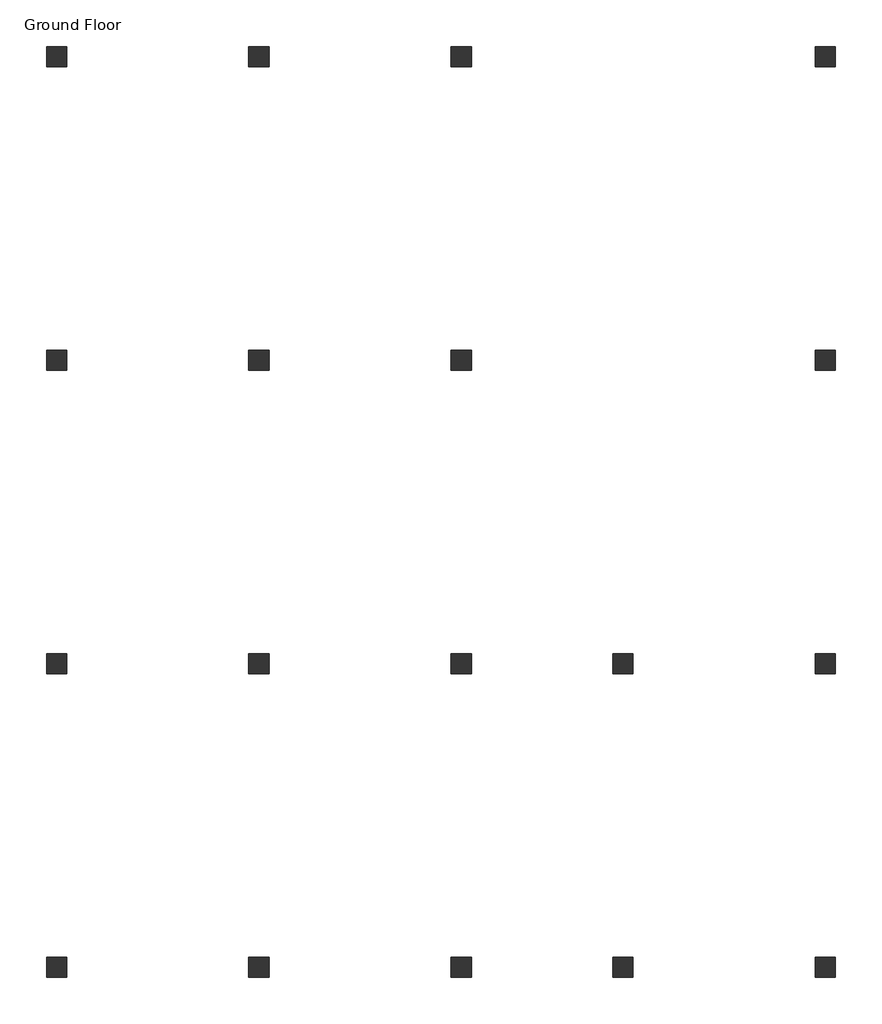
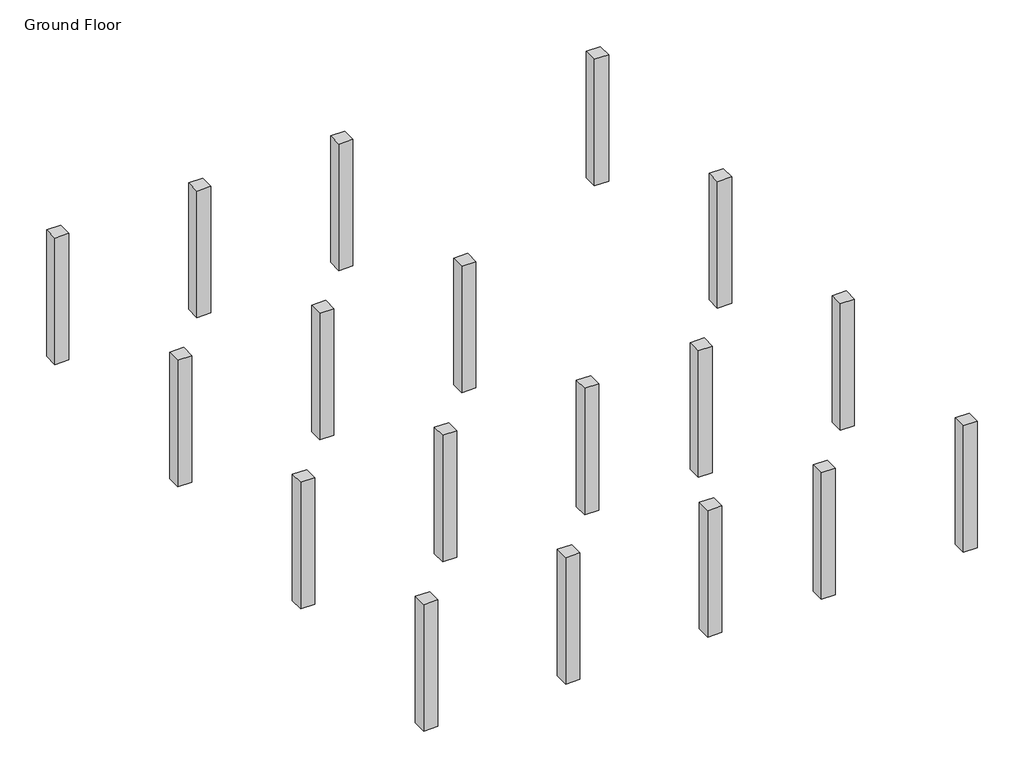
# One storey: 18 columns.
"""IFC4 building model written with IfcOpenShell, lengths in millimetres."""

import ifcopenshell
import ifcopenshell.guid

model = None  # the IFC model being written
_history = None  # IfcOwnerHistory: only IFC2X3 demands one
_inside = {}  # id of a spatial element -> (the spatial element, [elements in it])
_under = {}  # id of a project, library or spatial element -> (it, [spatial elements below it])
_declared = {}  # id of a project -> (the project, [libraries it declares])
_typed = {}  # id of a type object -> (the type object, [elements of that type])
_made_of = {}  # id of a material, layer set ... -> (it, [elements and type objects made of it])


def new_model(schema):
    """Start an empty IFC model of exactly this schema.

    Asked for "IFC4X3", IfcOpenShell would pick the latest addendum, in which some entities
    have other attributes; the version numbers below select the first issue.
    IFC2X3 requires an IfcOwnerHistory on every rooted entity: one is made here for all.
    """
    global model, _history
    if schema == "IFC4X3":
        model = ifcopenshell.file(schema_version=(4, 3, 0, 0))
    else:
        model = ifcopenshell.file(schema=schema)
    _inside.clear()
    _under.clear()
    _declared.clear()
    _typed.clear()
    _made_of.clear()
    _history = None
    if model.schema == "IFC2X3":
        org = make("IfcOrganization", Name="unknown")
        user = make(
            "IfcPersonAndOrganization",
            ThePerson=make("IfcPerson", FamilyName="unknown"),
            TheOrganization=org,
        )
        app = make(
            "IfcApplication",
            ApplicationDeveloper=org,
            Version="unknown",
            ApplicationFullName="unknown",
            ApplicationIdentifier="unknown",
        )
        _history = make(
            "IfcOwnerHistory",
            OwningUser=user,
            OwningApplication=app,
            ChangeAction="ADDED",
            CreationDate=0,
        )
    return model


def make(cls, **values):
    """One entity of the class cls with the attributes given. An attribute that is None is left unset."""
    return model.create_entity(
        cls, **{name: value for name, value in values.items() if value is not None}
    )


def rooted(cls, **values):
    """An entity with a GlobalId (a new one), such as an element, a storey or a relation."""
    return make(cls, GlobalId=ifcopenshell.guid.new(), OwnerHistory=_history, **values)


def si_unit(unit_type, name, prefix=None):
    """IfcSIUnit, for example si_unit("LENGTHUNIT", "METRE", prefix="MILLI")."""
    return make("IfcSIUnit", UnitType=unit_type, Prefix=prefix, Name=name)


def assignment(units):
    """IfcUnitAssignment: the units of a project."""
    return None if units is None else make("IfcUnitAssignment", Units=units)


def point(xyz):
    """IfcCartesianPoint."""
    return None if xyz is None else make("IfcCartesianPoint", Coordinates=xyz)


def direction(xyz):
    """IfcDirection."""
    return None if xyz is None else make("IfcDirection", DirectionRatios=xyz)


def frame(location, z_axis=None, x_axis=None):
    """IfcAxis2Placement3D, a coordinate frame: its origin and axes. An axis left out is left unset."""
    return make(
        "IfcAxis2Placement3D",
        Location=point(location),
        Axis=direction(z_axis),
        RefDirection=direction(x_axis),
    )


def origin():
    """The frame at (0, 0, 0) with its axes left unset."""
    return frame((0.0, 0.0, 0.0))


def origin_with_axes():
    """The frame at (0, 0, 0) with the z axis (0, 0, 1) and the x axis (1, 0, 0) written out."""
    return frame((0.0, 0.0, 0.0), z_axis=(0.0, 0.0, 1.0), x_axis=(1.0, 0.0, 0.0))


def place(relative_to, where):
    """IfcLocalPlacement: puts the frame where relative to a parent placement (None: the world)."""
    return make(
        "IfcLocalPlacement", PlacementRelTo=relative_to, RelativePlacement=where
    )


def context(
    kind, dimensions, precision=None, world=None, true_north=None, identifier=None
):
    """IfcGeometricRepresentationContext, for example the 3D "Model" context."""
    return make(
        "IfcGeometricRepresentationContext",
        ContextIdentifier=identifier,
        ContextType=kind,
        CoordinateSpaceDimension=dimensions,
        Precision=precision,
        WorldCoordinateSystem=world,
        TrueNorth=true_north,
    )


def project(units=None, contexts=None):
    """IfcProject with its units and contexts."""
    return rooted(
        "IfcProject",
        Name="project",
        RepresentationContexts=contexts,
        UnitsInContext=assignment(units),
    )


def spatial(cls, under=None, at=None, **own):
    """A site, building, storey or space (cls), placed at a placement, below another one or the project."""
    s = rooted(cls, ObjectPlacement=at, **own)
    if under is not None:
        _under.setdefault(under.id(), (under, []))[1].append(s)
    return s


def polyline(points):
    """IfcPolyline through the points."""
    return make("IfcPolyline", Points=[point(p) for p in points])


def outline(outer, holes=None, kind="AREA"):
    """IfcArbitraryClosedProfileDef: a profile drawn as a closed curve; with holes, ...WithVoids."""
    if holes is None:
        return make("IfcArbitraryClosedProfileDef", ProfileType=kind, OuterCurve=outer)
    return make(
        "IfcArbitraryProfileDefWithVoids",
        ProfileType=kind,
        OuterCurve=outer,
        InnerCurves=holes,
    )


def extrude(swept, where, along, depth):
    """IfcExtrudedAreaSolid: the profile swept, set in the frame where, extruded along a direction by depth."""
    return make(
        "IfcExtrudedAreaSolid",
        SweptArea=swept,
        Position=where,
        ExtrudedDirection=direction(along),
        Depth=depth,
    )


def shape(context_of_items, identifier, shape_type, items):
    """IfcShapeRepresentation: the items that make up one representation, for example the "Body"."""
    return make(
        "IfcShapeRepresentation",
        ContextOfItems=context_of_items,
        RepresentationIdentifier=identifier,
        RepresentationType=shape_type,
        Items=items,
    )


def source(mapping_origin, context_of_items, identifier, shape_type, items):
    """IfcRepresentationMap: a shape defined once, which mapped items show again and again."""
    return make(
        "IfcRepresentationMap",
        MappingOrigin=mapping_origin,
        MappedRepresentation=shape(context_of_items, identifier, shape_type, items),
    )


def transform(
    local_origin,
    x_axis=None,
    y_axis=None,
    z_axis=None,
    scale=None,
    scale2=None,
    scale3=None,
    uniform=True,
):
    """IfcCartesianTransformationOperator3D, or its non-uniform kind. x_axis, y_axis, z_axis: its Axis1, 2, 3."""
    if uniform:
        return make(
            "IfcCartesianTransformationOperator3D",
            Axis1=direction(x_axis),
            Axis2=direction(y_axis),
            LocalOrigin=point(local_origin),
            Scale=scale,
            Axis3=direction(z_axis),
        )
    return make(
        "IfcCartesianTransformationOperator3DnonUniform",
        Axis1=direction(x_axis),
        Axis2=direction(y_axis),
        LocalOrigin=point(local_origin),
        Scale=scale,
        Axis3=direction(z_axis),
        Scale2=scale2,
        Scale3=scale3,
    )


def mapped(mapping_source, mapping_target):
    """IfcMappedItem: shows the shape of a source again, moved by a transform."""
    return make(
        "IfcMappedItem", MappingSource=mapping_source, MappingTarget=mapping_target
    )


def made_of(thing, what):
    """Note that an element or type object is made of a material, layer set ...; save() writes the relation."""
    if what is not None:
        _made_of.setdefault(what.id(), (what, []))[1].append(thing)
    return thing


def element(
    cls,
    number,
    at=None,
    inside=None,
    cuts=None,
    type_object=None,
    material=None,
    context=None,
    identifier="Body",
    shape_type=None,
    held_by="IfcProductDefinitionShape",
    body=None,
    shapes=None,
    **own,
):
    """One element of the class cls, such as IfcWall. Its Tag is "e" and its number.

    at: its placement. inside: the storey or other place that contains it. cuts: it is an
    opening in that element (IfcRelVoidsElement). A single representation is given by context,
    identifier, shape_type and body (its items); several are given by shapes. held_by: the class
    of the entity that holds the representations. save() writes the other relations.
    """
    e = rooted(cls, Tag="e%d" % number, ObjectPlacement=at, **own)
    if body is not None:
        shapes = [shape(context, identifier, shape_type, body)]
    if shapes is not None:
        e.Representation = make(held_by, Representations=shapes)
    if inside is not None:
        _inside.setdefault(inside.id(), (inside, []))[1].append(e)
    if cuts is not None:
        rooted(
            "IfcRelVoidsElement", RelatingBuildingElement=cuts, RelatedOpeningElement=e
        )
    if type_object is not None:
        _typed.setdefault(type_object.id(), (type_object, []))[1].append(e)
    return made_of(e, material)


def aggregate(whole, parts):
    """IfcRelAggregates: a whole, such as a stair, and the parts it consists of."""
    return rooted("IfcRelAggregates", RelatingObject=whole, RelatedObjects=parts)


def save(model, path):
    """Write the relations noted so far, then the file.

    IfcRelAggregates (storeys below a building ...), IfcRelContainedInSpatialStructure (elements
    in a storey), IfcRelDefinesByType, IfcRelAssociatesMaterial and IfcRelDeclares: one each for
    every whole, place, type object, material and project.
    """
    for whole, parts in _under.values():
        aggregate(whole, parts)
    for where, things in _inside.values():
        rooted(
            "IfcRelContainedInSpatialStructure",
            RelatedElements=things,
            RelatingStructure=where,
        )
    for kind, things in _typed.values():
        rooted("IfcRelDefinesByType", RelatedObjects=things, RelatingType=kind)
    for what, things in _made_of.values():
        rooted("IfcRelAssociatesMaterial", RelatedObjects=things, RelatingMaterial=what)
    for by, libraries in _declared.values():
        rooted("IfcRelDeclares", RelatingContext=by, RelatedDefinitions=libraries)
    model.write(path)


def concrete_rectangular_column_a3b698d6(model_context):
    return source(origin(), model_context, "Body", "SweptSolid", [
        extrude(outline(polyline([(152.4, 152.4), (152.4, -152.4), (-152.4, -152.4), (-152.4, 152.4), (152.4, 152.4)])), origin_with_axes(), (0.0, 0.0, 1.0), 2870.2),
    ])


model = new_model("IFC4")

# Units and contexts
model_context = context("Model", 3, world=origin())
ifc_project = project(units=[si_unit("LENGTHUNIT", "METRE", prefix="MILLI")], contexts=[model_context])

# Site, building, storey
site = spatial("IfcSite", under=ifc_project)
building = spatial("IfcBuilding", under=site)
storey = spatial("IfcBuildingStorey", under=building, Name="Ground Floor", Elevation=0.0)

# Columns
placement = place(None, origin())
concrete_rectangular_column_shape = concrete_rectangular_column_a3b698d6(model_context)
element("IfcColumn", 1, ObjectType="Concrete-Rectangular-Column", at=placement, inside=storey, context=model_context, shape_type="MappedRepresentation", body=[
    mapped(concrete_rectangular_column_shape, transform((3009.7409002, -15191.6114294, 0.0), x_axis=(1.0, 0.0, 0.0), y_axis=(0.0, 1.0, 0.0), z_axis=(0.0, 0.0, 1.0))),
])
element("IfcColumn", 2, ObjectType="Concrete-Rectangular-Column", at=placement, inside=storey, context=model_context, shape_type="MappedRepresentation", body=[
    mapped(concrete_rectangular_column_shape, transform((9105.7409002, -15191.6114294, 0.0), x_axis=(1.0, 0.0, 0.0), y_axis=(0.0, 1.0, 0.0), z_axis=(0.0, 0.0, 1.0))),
])
element("IfcColumn", 3, ObjectType="Concrete-Rectangular-Column", at=placement, inside=storey, context=model_context, shape_type="MappedRepresentation", body=[
    mapped(concrete_rectangular_column_shape, transform((11544.1409002, -15191.6114294, 0.0), x_axis=(1.0, 0.0, 0.0), y_axis=(0.0, 1.0, 0.0), z_axis=(0.0, 0.0, 1.0))),
])
element("IfcColumn", 4, ObjectType="Concrete-Rectangular-Column", at=placement, inside=storey, context=model_context, shape_type="MappedRepresentation", body=[
    mapped(concrete_rectangular_column_shape, transform((14592.1409002, -15191.6114294, 0.0), x_axis=(1.0, 0.0, 0.0), y_axis=(0.0, 1.0, 0.0), z_axis=(0.0, 0.0, 1.0))),
])
element("IfcColumn", 5, ObjectType="Concrete-Rectangular-Column", at=placement, inside=storey, context=model_context, shape_type="MappedRepresentation", body=[
    mapped(concrete_rectangular_column_shape, transform((6057.7409002, -15191.6114294, 0.0), x_axis=(1.0, 0.0, 0.0), y_axis=(0.0, 1.0, 0.0), z_axis=(0.0, 0.0, 1.0))),
])
element("IfcColumn", 6, ObjectType="Concrete-Rectangular-Column", at=placement, inside=storey, context=model_context, shape_type="MappedRepresentation", body=[
    mapped(concrete_rectangular_column_shape, transform((3009.7409002, -10619.6114294, 0.0), x_axis=(1.0, 0.0, 0.0), y_axis=(0.0, 1.0, 0.0), z_axis=(0.0, 0.0, 1.0))),
])
element("IfcColumn", 7, ObjectType="Concrete-Rectangular-Column", at=placement, inside=storey, context=model_context, shape_type="MappedRepresentation", body=[
    mapped(concrete_rectangular_column_shape, transform((9105.7409002, -10619.6114294, 0.0), x_axis=(1.0, 0.0, 0.0), y_axis=(0.0, 1.0, 0.0), z_axis=(0.0, 0.0, 1.0))),
])
element("IfcColumn", 8, ObjectType="Concrete-Rectangular-Column", at=placement, inside=storey, context=model_context, shape_type="MappedRepresentation", body=[
    mapped(concrete_rectangular_column_shape, transform((11544.1409002, -10619.6114294, 0.0), x_axis=(1.0, 0.0, 0.0), y_axis=(0.0, 1.0, 0.0), z_axis=(0.0, 0.0, 1.0))),
])
element("IfcColumn", 9, ObjectType="Concrete-Rectangular-Column", at=placement, inside=storey, context=model_context, shape_type="MappedRepresentation", body=[
    mapped(concrete_rectangular_column_shape, transform((14592.1409002, -10619.6114294, 0.0), x_axis=(1.0, 0.0, 0.0), y_axis=(0.0, 1.0, 0.0), z_axis=(0.0, 0.0, 1.0))),
])
element("IfcColumn", 10, ObjectType="Concrete-Rectangular-Column", at=placement, inside=storey, context=model_context, shape_type="MappedRepresentation", body=[
    mapped(concrete_rectangular_column_shape, transform((6057.7409002, -10619.6114294, 0.0), x_axis=(1.0, 0.0, 0.0), y_axis=(0.0, 1.0, 0.0), z_axis=(0.0, 0.0, 1.0))),
])
element("IfcColumn", 11, ObjectType="Concrete-Rectangular-Column", at=placement, inside=storey, context=model_context, shape_type="MappedRepresentation", body=[
    mapped(concrete_rectangular_column_shape, transform((3009.7409002, -6047.6114294, 0.0), x_axis=(1.0, 0.0, 0.0), y_axis=(0.0, 1.0, 0.0), z_axis=(0.0, 0.0, 1.0))),
])
element("IfcColumn", 12, ObjectType="Concrete-Rectangular-Column", at=placement, inside=storey, context=model_context, shape_type="MappedRepresentation", body=[
    mapped(concrete_rectangular_column_shape, transform((9105.7409002, -6047.6114294, 0.0), x_axis=(1.0, 0.0, 0.0), y_axis=(0.0, 1.0, 0.0), z_axis=(0.0, 0.0, 1.0))),
])
element("IfcColumn", 13, ObjectType="Concrete-Rectangular-Column", at=placement, inside=storey, context=model_context, shape_type="MappedRepresentation", body=[
    mapped(concrete_rectangular_column_shape, transform((14592.1409002, -6047.6114294, 0.0), x_axis=(1.0, 0.0, 0.0), y_axis=(0.0, 1.0, 0.0), z_axis=(0.0, 0.0, 1.0))),
])
element("IfcColumn", 14, ObjectType="Concrete-Rectangular-Column", at=placement, inside=storey, context=model_context, shape_type="MappedRepresentation", body=[
    mapped(concrete_rectangular_column_shape, transform((6057.7409002, -6047.6114294, 0.0), x_axis=(1.0, 0.0, 0.0), y_axis=(0.0, 1.0, 0.0), z_axis=(0.0, 0.0, 1.0))),
])
element("IfcColumn", 15, ObjectType="Concrete-Rectangular-Column", at=placement, inside=storey, context=model_context, shape_type="MappedRepresentation", body=[
    mapped(concrete_rectangular_column_shape, transform((3009.7409002, -1475.6114294, 0.0), x_axis=(1.0, 0.0, 0.0), y_axis=(0.0, 1.0, 0.0), z_axis=(0.0, 0.0, 1.0))),
])
element("IfcColumn", 16, ObjectType="Concrete-Rectangular-Column", at=placement, inside=storey, context=model_context, shape_type="MappedRepresentation", body=[
    mapped(concrete_rectangular_column_shape, transform((9105.7409002, -1475.6114294, 0.0), x_axis=(1.0, 0.0, 0.0), y_axis=(0.0, 1.0, 0.0), z_axis=(0.0, 0.0, 1.0))),
])
element("IfcColumn", 17, ObjectType="Concrete-Rectangular-Column", at=placement, inside=storey, context=model_context, shape_type="MappedRepresentation", body=[
    mapped(concrete_rectangular_column_shape, transform((14592.1409002, -1475.6114294, 0.0), x_axis=(1.0, 0.0, 0.0), y_axis=(0.0, 1.0, 0.0), z_axis=(0.0, 0.0, 1.0))),
])
element("IfcColumn", 18, ObjectType="Concrete-Rectangular-Column", at=placement, inside=storey, context=model_context, shape_type="MappedRepresentation", body=[
    mapped(concrete_rectangular_column_shape, transform((6057.7409002, -1475.6114294, 0.0), x_axis=(1.0, 0.0, 0.0), y_axis=(0.0, 1.0, 0.0), z_axis=(0.0, 0.0, 1.0))),
])

save(model, "model.ifc")
